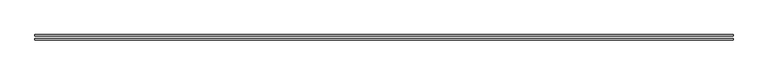
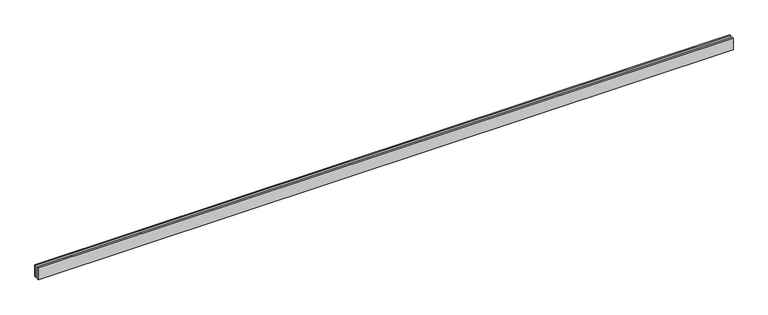
"""IFC4 building model written with IfcOpenShell, lengths in millimetres: proxy geometry."""

from ifc_helpers import new_model, si_unit, origin, origin_with_axes, place, context, project, spatial, polyline, outline, extrude, source, transform, mapped, element, save


def generic_models_a37a417e(model_context):
    return source(origin(), model_context, "Body", "SweptSolid", [
        extrude(outline(polyline([(13813.2034356, -25.0), (13813.2034356, -55.0), (0.0, -55.0), (0.0, -25.0), (13813.2034356, -25.0)])), origin_with_axes(), (0.0, 0.0, 1.0), 250.0),
        extrude(outline(polyline([(13813.2034356, 55.0), (13813.2034356, 25.0), (0.0, 25.0), (0.0, 55.0), (13813.2034356, 55.0)])), origin_with_axes(), (0.0, 0.0, 1.0), 250.0),
    ])


if __name__ == "__main__":
    model = new_model("IFC4")
    model_context = context("Model", 3, world=origin())
    ifc_project = project(units=[si_unit("LENGTHUNIT", "METRE", prefix="MILLI")], contexts=[model_context])
    site = spatial("IfcSite", under=ifc_project)
    building = spatial("IfcBuilding", under=site)
    placement = place(None, origin())
    generic_models_shape = generic_models_a37a417e(model_context)
    element("IfcBuildingElementProxy", 1, Name="Generic Models", at=placement, inside=building, context=model_context, shape_type="MappedRepresentation", body=[
        mapped(generic_models_shape, transform((0.0, 0.0, 0.0), x_axis=(1.0, 0.0, 0.0), y_axis=(0.0, 1.0, 0.0), z_axis=(0.0, 0.0, 1.0))),
    ])
    save(model, "model.ifc")
